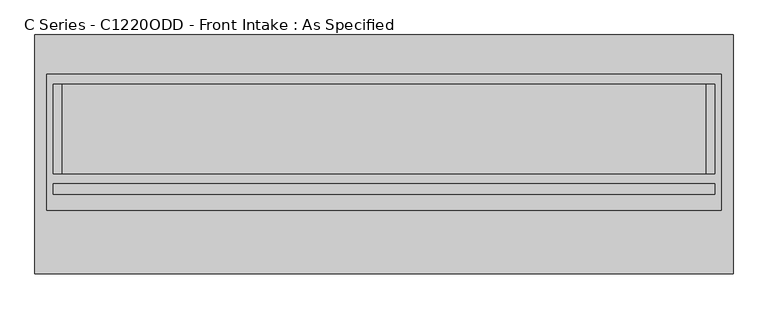
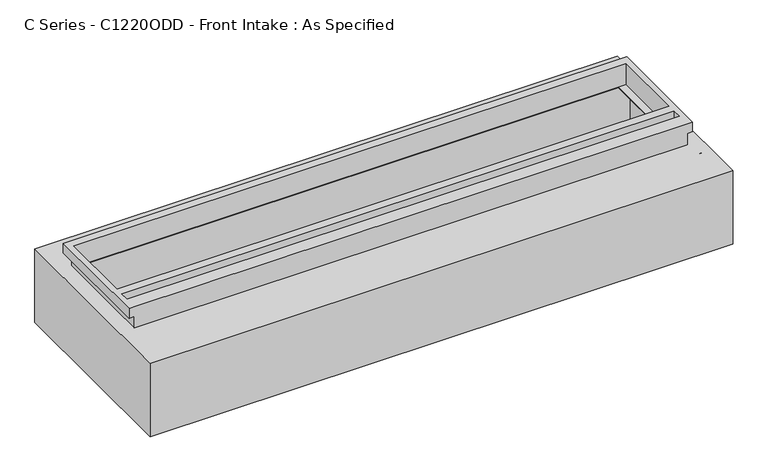
"""IFC4 building model written with IfcOpenShell, lengths in millimetres: proxy geometry, C Series - C1220ODD - Front Intake : As Specified."""

from ifc_helpers import new_model, si_unit, frame, origin, place, context, project, spatial, polyline, circle_curve, faceted_brep, source, transform, mapped, element, save
from ifc_brep_helpers import plane_surface, revolved_surface, advanced_brep


def c_series_c1220odd_front_intake_as_specified_9e79878b(model_context):
    return source(origin(), model_context, "Body", "SolidModel", [
        advanced_brep(
        [(1983.58125, 678.7058594, -530.3242188), (1983.58125, -678.7058594, -530.3242188), (-1983.58125, -678.7058594, -530.3242188), (-1983.58125, 678.7058594, -530.3242188), (1983.58125, 678.7058594, 0.0), (-1983.58125, 678.7058594, 0.0), (-1983.58125, -678.7058594, 0.0), (1983.58125, -678.7058594, 0.0), (1828.8, 399.2065905, 0.0), (1828.8, -108.7933661, 0.0), (-1828.8, -108.7933661, 0.0), (-1828.8, 399.2065905, 0.0), (1983.58125, -318.2441406, -430.3117188), (1983.58125, -340.4691406, -430.3117188), (1983.58125, -216.6441406, -430.3117188), (1983.58125, -238.8691406, -430.3117188), (1983.58125, -318.2441406, -100.1117188), (1983.58125, -340.4691406, -100.1117188), (1983.58125, -216.6441406, -100.1117188), (1983.58125, -238.8691406, -100.1117188), (1917.7, 416.7683594, -527.05), (-1917.7, 416.7683594, -527.05), (-1917.7, -129.3316406, -527.05), (1917.7, -129.3316406, -527.05), (1917.7, 416.7683594, -3.175), (1917.7, -129.3316406, -3.175), (-1917.7, -129.3316406, -3.175), (-1917.7, 416.7683594, -3.175), (1828.8, -108.7933661, -3.175), (1828.8, 399.2065905, -3.175), (-1828.8, 399.2065905, -3.175), (-1828.8, -108.7933661, -3.175), (1967.728271, -340.4691406, -430.3117188), (1967.728271, -318.2441406, -430.3117188), (1967.728271, -238.8691406, -430.3117188), (1967.728271, -216.6441406, -430.3117188), (1967.728271, -340.4691406, -100.1117188), (1967.728271, -318.2441406, -100.1117188), (1967.728271, -238.8691406, -100.1117188), (1967.728271, -216.6441406, -100.1117188)],
        [
            (0, 1),
            (1, 2),
            (2, 3),
            (3, 0),
            (4, 5),
            (5, 6),
            (6, 7),
            (7, 4),
            (8, 9),
            (9, 10),
            (10, 11),
            (11, 8),
            (3, 5),
            (4, 0),
            (2, 6),
            (1, 7),
            (12, 13, circle_curve(frame((1983.58125, -329.3566406, -430.3117188), z_axis=(-1.0, 0.0, 0.0), x_axis=(0.0, 1.0, 0.0)), 11.1125)),
            (13, 12, circle_curve(frame((1983.58125, -329.3566406, -430.3117188), z_axis=(-1.0, 0.0, 0.0), x_axis=(0.0, 1.0, 0.0)), 11.1125)),
            (14, 15, circle_curve(frame((1983.58125, -227.7566406, -430.3117188), z_axis=(-1.0, 0.0, 0.0), x_axis=(0.0, 1.0, 0.0)), 11.1125)),
            (15, 14, circle_curve(frame((1983.58125, -227.7566406, -430.3117188), z_axis=(-1.0, 0.0, 0.0), x_axis=(0.0, 1.0, 0.0)), 11.1125)),
            (16, 17, circle_curve(frame((1983.58125, -329.3566406, -100.1117188), z_axis=(-1.0, 0.0, 0.0), x_axis=(0.0, 1.0, 0.0)), 11.1125)),
            (17, 16, circle_curve(frame((1983.58125, -329.3566406, -100.1117188), z_axis=(-1.0, 0.0, 0.0), x_axis=(0.0, 1.0, 0.0)), 11.1125)),
            (18, 19, circle_curve(frame((1983.58125, -227.7566406, -100.1117188), z_axis=(-1.0, 0.0, 0.0), x_axis=(0.0, 1.0, 0.0)), 11.1125)),
            (19, 18, circle_curve(frame((1983.58125, -227.7566406, -100.1117188), z_axis=(-1.0, 0.0, 0.0), x_axis=(0.0, 1.0, 0.0)), 11.1125)),
            (20, 21),
            (21, 22),
            (22, 23),
            (23, 20),
            (24, 25),
            (25, 26),
            (26, 27),
            (27, 24),
            (28, 29),
            (29, 30),
            (30, 31),
            (31, 28),
            (23, 25),
            (24, 20),
            (22, 26),
            (21, 27),
            (8, 29),
            (28, 9),
            (31, 10),
            (30, 11),
            (32, 33, circle_curve(frame((1967.728271, -329.3566406, -430.3117188), z_axis=(1.0, 0.0, 0.0), x_axis=(0.0, 1.0, 0.0)), 11.1125)),
            (33, 32, circle_curve(frame((1967.728271, -329.3566406, -430.3117188), z_axis=(1.0, 0.0, 0.0), x_axis=(0.0, 1.0, 0.0)), 11.1125)),
            (34, 35, circle_curve(frame((1967.728271, -227.7566406, -430.3117188), z_axis=(1.0, 0.0, 0.0), x_axis=(0.0, 1.0, 0.0)), 11.1125)),
            (35, 34, circle_curve(frame((1967.728271, -227.7566406, -430.3117188), z_axis=(1.0, 0.0, 0.0), x_axis=(0.0, 1.0, 0.0)), 11.1125)),
            (36, 37, circle_curve(frame((1967.728271, -329.3566406, -100.1117188), z_axis=(1.0, 0.0, 0.0), x_axis=(0.0, 1.0, 0.0)), 11.1125)),
            (37, 36, circle_curve(frame((1967.728271, -329.3566406, -100.1117188), z_axis=(1.0, 0.0, 0.0), x_axis=(0.0, 1.0, 0.0)), 11.1125)),
            (38, 39, circle_curve(frame((1967.728271, -227.7566406, -100.1117188), z_axis=(1.0, 0.0, 0.0), x_axis=(0.0, 1.0, 0.0)), 11.1125)),
            (39, 38, circle_curve(frame((1967.728271, -227.7566406, -100.1117188), z_axis=(1.0, 0.0, 0.0), x_axis=(0.0, 1.0, 0.0)), 11.1125)),
            (32, 13),
            (12, 33),
            (34, 15),
            (14, 35),
            (36, 17),
            (16, 37),
            (38, 19),
            (18, 39),
        ],
        [
            plane_surface(frame((-1983.58125, 678.7058594, -530.3242188), z_axis=(0.0, 0.0, -1.0), x_axis=(1.0, 0.0, 0.0))),
            plane_surface(frame((-1983.58125, 678.7058594, 0.0), z_axis=(0.0, 0.0, 1.0), x_axis=(-1.0, 0.0, 0.0))),
            plane_surface(frame((1983.58125, 678.7058594, 0.0), z_axis=(0.0, 1.0, 0.0), x_axis=(0.0, 0.0, -1.0))),
            plane_surface(frame((-1983.58125, 678.7058594, 0.0), z_axis=(-1.0, 0.0, 0.0), x_axis=(0.0, 0.0, -1.0))),
            plane_surface(frame((-1983.58125, -678.7058594, 0.0), z_axis=(0.0, -1.0, 0.0), x_axis=(0.0, 0.0, -1.0))),
            plane_surface(frame((1983.58125, -678.7058594, 0.0), z_axis=(1.0, 0.0, 0.0), x_axis=(0.0, 0.0, -1.0))),
            plane_surface(frame((1917.7, 416.7683594, -527.05), z_axis=(0.0, 0.0, 1.0), x_axis=(0.0, -1.0, 0.0))),
            plane_surface(frame((1917.7, 416.7683594, -3.175), z_axis=(0.0, 0.0, -1.0), x_axis=(0.0, 1.0, 0.0))),
            plane_surface(frame((1917.7, 416.7683594, -527.05), z_axis=(-1.0, 0.0, 0.0), x_axis=(0.0, 0.0, 1.0))),
            plane_surface(frame((1917.7, -129.3316406, -527.05), z_axis=(0.0, 1.0, 0.0), x_axis=(0.0, 0.0, 1.0))),
            plane_surface(frame((-1917.7, -129.3316406, -527.05), z_axis=(1.0, 0.0, 0.0), x_axis=(0.0, 0.0, 1.0))),
            plane_surface(frame((-1917.7, 416.7683594, -527.05), z_axis=(0.0, -1.0, 0.0), x_axis=(0.0, 0.0, 1.0))),
            plane_surface(frame((1828.8, 399.2065905, -25.4), z_axis=(-1.0, 0.0, 0.0), x_axis=(0.0, 0.0, 1.0))),
            plane_surface(frame((1828.8, -108.7933661, -25.4), z_axis=(0.0, 1.0, 0.0), x_axis=(0.0, 0.0, 1.0))),
            plane_surface(frame((-1828.8, -108.7933661, -25.4), z_axis=(1.0, 0.0, 0.0), x_axis=(0.0, 0.0, 1.0))),
            plane_surface(frame((-1828.8, 399.2065905, -25.4), z_axis=(0.0, -1.0, 0.0), x_axis=(0.0, 0.0, 1.0))),
            plane_surface(frame((1967.728271, -318.2441406, -430.3117188), z_axis=(1.0, 0.0, 0.0), x_axis=(0.0, 0.0, -1.0))),
            revolved_surface(polyline([(1983.58125, -318.2441406, -430.3117188), (1967.728271, -318.2441406, -430.3117188)]), (1967.728271, -329.3566406, -430.3117188), (1.0, 0.0, 0.0)),
            revolved_surface(polyline([(1983.58125, -216.6441406, -430.3117188), (1967.728271, -216.6441406, -430.3117188)]), (0.0, -227.7566406, -430.3117188), (1.0, 0.0, 0.0)),
            revolved_surface(polyline([(1983.58125, -318.2441406, -100.1117187), (1967.728271, -318.2441406, -100.1117187)]), (0.0, -329.3566406, -100.1117187), (1.0, 0.0, 0.0)),
            revolved_surface(polyline([(1983.58125, -216.6441406, -100.1117188), (1967.728271, -216.6441406, -100.1117188)]), (0.0, -227.7566406, -100.1117188), (1.0, 0.0, 0.0)),
        ],
        [
            (0, [[1, 2, 3, 4]]),
            (1, [[5, 6, 7, 8], [9, 10, 11, 12]]),
            (2, [[-4, 13, -5, 14]]),
            (3, [[-3, 15, -6, -13]]),
            (4, [[-2, 16, -7, -15]]),
            (5, [[-1, -14, -8, -16], [17, 18], [19, 20], [21, 22], [23, 24]]),
            (6, [[25, 26, 27, 28]]),
            (7, [[29, 30, 31, 32], [33, 34, 35, 36]]),
            (8, [[-28, 37, -29, 38]]),
            (9, [[-27, 39, -30, -37]]),
            (10, [[-26, 40, -31, -39]]),
            (11, [[-25, -38, -32, -40]]),
            (12, [[41, -33, 42, -9]]),
            (13, [[-42, -36, 43, -10]]),
            (14, [[-43, -35, 44, -11]]),
            (15, [[-41, -12, -44, -34]]),
            (16, [[45, 46]]),
            (16, [[47, 48]]),
            (16, [[49, 50]]),
            (16, [[51, 52]]),
            (17, [[-45, 53, -17, 54]]),
            (17, [[-46, -54, -18, -53]]),
            (18, [[-47, 55, -19, 56]]),
            (18, [[-48, -56, -20, -55]]),
            (19, [[-49, 57, -21, 58]]),
            (19, [[-50, -58, -22, -57]]),
            (20, [[-51, 59, -23, 60]]),
            (20, [[-52, -60, -24, -59]]),
        ],
    ),
        faceted_brep([(1917.7, 456.4558594, 152.4), (-1917.7, 456.4558594, 152.4), (-1917.7, -318.2441406, 152.4), (1917.7, -318.2441406, 152.4), (1879.6, 399.2065905, 152.4), (1879.6, -108.7933661, 152.4), (-1879.6, -108.7933661, 152.4), (-1879.6, 399.2065905, 152.4), (1879.6, -167.4316406, 152.4), (1879.6, -227.7566406, 152.4), (-1879.6, -227.7566406, 152.4), (-1879.6, -167.4316406, 152.4), (1882.775, -318.2441406, 0.0), (-1882.775, -318.2441406, 0.0), (-1882.775, 421.5308594, 0.0), (1882.775, 421.5308594, 0.0), (1879.6, -108.7933661, 0.0), (1879.6, 399.2065905, 0.0), (-1879.6, 399.2065905, 0.0), (-1879.6, -108.7933661, 0.0), (1917.7, 456.4558594, 82.55), (-1917.7, 456.4558594, 82.55), (-1917.7, -318.2441406, 82.55), (-1882.775, -318.2441406, 82.55), (1882.775, -318.2441406, 82.55), (1917.7, -318.2441406, 82.55), (1882.775, 421.5308594, 82.55), (-1882.775, 421.5308594, 82.55), (1879.6, -167.4316406, 82.55), (-1879.6, -167.4316406, 82.55), (-1879.6, -227.7566406, 82.55), (1879.6, -227.7566406, 82.55)], [[[0, 1, 2, 3], [4, 5, 6, 7], [8, 9, 10, 11]], [[12, 13, 14, 15], [16, 17, 18, 19]], [[1, 0, 20, 21]], [[2, 1, 21, 22]], [[3, 2, 22, 23, 13, 12, 24, 25]], [[0, 3, 25, 20]], [[24, 26, 27, 23, 22, 21, 20, 25]], [[26, 24, 12, 15]], [[27, 26, 15, 14]], [[23, 27, 14, 13]], [[16, 5, 4, 17]], [[5, 16, 19, 6]], [[6, 19, 18, 7]], [[17, 4, 7, 18]], [[28, 29, 30, 31]], [[28, 31, 9, 8]], [[31, 30, 10, 9]], [[30, 29, 11, 10]], [[29, 28, 8, 11]]]),
    ])


if __name__ == "__main__":
    model = new_model("IFC4")
    model_context = context("Model", 3, world=origin())
    ifc_project = project(units=[si_unit("LENGTHUNIT", "METRE", prefix="MILLI")], contexts=[model_context])
    site = spatial("IfcSite", under=ifc_project)
    building = spatial("IfcBuilding", under=site)
    placement = place(None, origin())
    c_series_c1220odd_front_intake_as_specified_shape = c_series_c1220odd_front_intake_as_specified_9e79878b(model_context)
    element("IfcBuildingElementProxy", 1, Name="C Series - C1220ODD - Front Intake : As Specified", ObjectType="C Series - C1220ODD - Front Intake : As Specified", at=placement, inside=building, context=model_context, shape_type="MappedRepresentation", body=[
        mapped(c_series_c1220odd_front_intake_as_specified_shape, transform((0.0, 0.0, 0.0), x_axis=(1.0, 0.0, 0.0), y_axis=(0.0, 1.0, 0.0), z_axis=(0.0, 0.0, 1.0))),
    ])
    save(model, "model.ifc")
